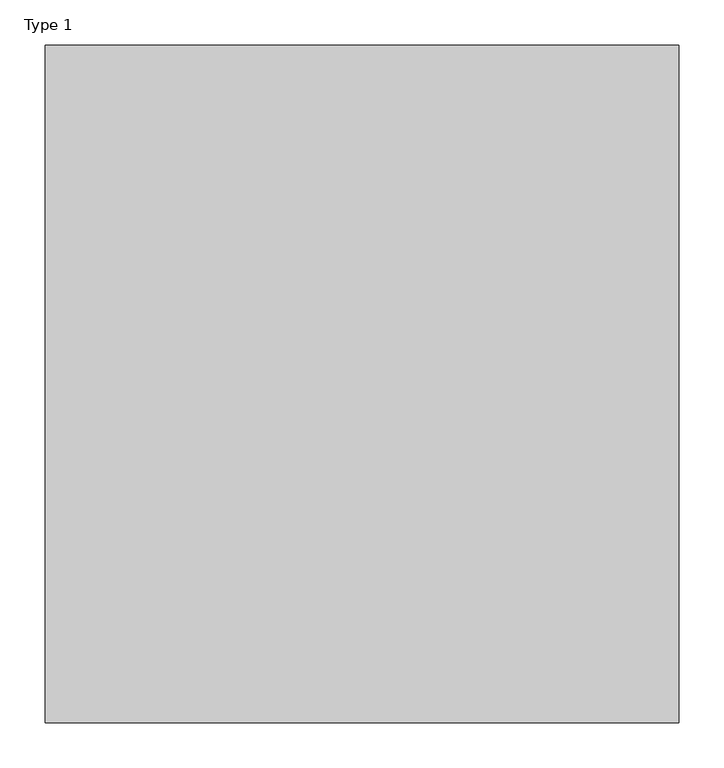
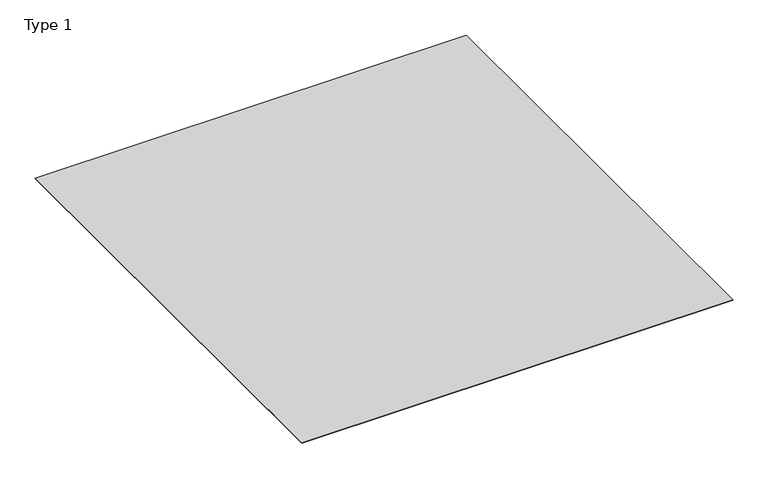
"""IFC4 building model written with IfcOpenShell, lengths in millimetres: proxy geometry, Type 1."""

from ifc_helpers import new_model, si_unit, origin, origin_with_axes, place, context, project, spatial, polyline, outline, extrude, source, transform, mapped, element, save


def type_1_b87d84df(model_context):
    return source(origin(), model_context, "Body", "SweptSolid", [
        extrude(outline(polyline([(631.5, 100.0), (-70.0, 100.0), (-70.0, 850.0), (631.5, 850.0), (631.5, 100.0)])), origin_with_axes(), (0.0, 0.0, 1.0), 1.0),
    ])


if __name__ == "__main__":
    model = new_model("IFC4")
    model_context = context("Model", 3, world=origin())
    ifc_project = project(units=[si_unit("LENGTHUNIT", "METRE", prefix="MILLI")], contexts=[model_context])
    site = spatial("IfcSite", under=ifc_project)
    building = spatial("IfcBuilding", under=site)
    placement = place(None, origin())
    type_1_shape = type_1_b87d84df(model_context)
    element("IfcBuildingElementProxy", 1, Name="Type 1", ObjectType="Type 1", at=placement, inside=building, context=model_context, shape_type="MappedRepresentation", body=[
        mapped(type_1_shape, transform((0.0, 0.0, 0.0), x_axis=(1.0, 0.0, 0.0), y_axis=(0.0, 1.0, 0.0), z_axis=(0.0, 0.0, 1.0))),
    ])
    save(model, "model.ifc")
